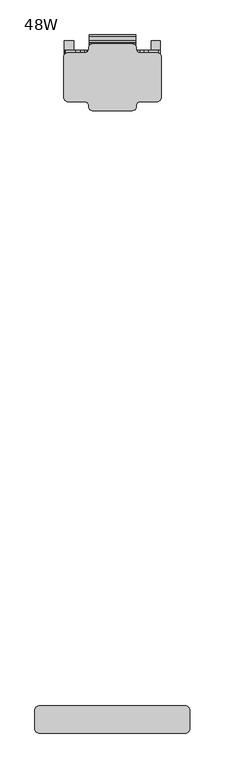
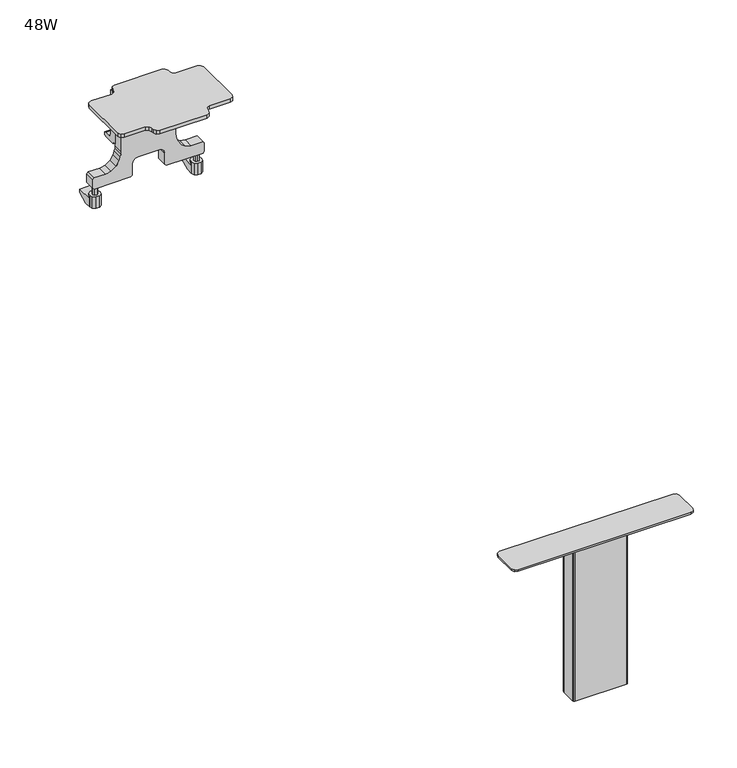
"""IFC4 building model written with IfcOpenShell, lengths in millimetres: furniture geometry, 48W."""

from ifc_helpers import new_model, si_unit, frame, origin, place, context, project, spatial, polyline, outline, extrude, faceted_brep, source, transform, mapped, element, save


def furniture_48w_51ee4bdc(model_context):
    return source(origin(), model_context, "Body", "SolidModel", [
        faceted_brep([(38.1, -26.5904509, 729.1102924), (38.1, -26.5904509, 794.2964298), (38.1, -38.1504511, 794.2964298), (38.1, -38.1504511, 721.5103203), (38.1, -33.3104509, 721.5103203), (38.1, -33.3104509, 718.1103098), (38.1, -15.8924007, 718.1103098), (38.1, -12.86045, 719.3588528), (38.1, -12.86045, 724.1103069), (38.1, -14.8604506, 724.1103069), (38.1, -21.5904495, 724.1103069), (38.1, -25.125985, 725.5748251), (-38.1, -26.5904509, 729.1102924), (-38.1, -25.125985, 725.5748251), (-38.1, -21.5904495, 724.1103069), (-38.1, -14.8604506, 724.1103069), (-38.1, -12.86045, 724.1103069), (-38.1, -12.86045, 719.3588528), (-38.1, -15.8924007, 718.1103098), (-38.1, -33.3104509, 718.1103098), (-38.1, -33.3104509, 721.5103203), (-38.1, -38.1504511, 721.5103203), (-38.1, -38.1504511, 794.2964298), (-38.1, -26.5904509, 794.2964298), (-13.0000002, -33.3104509, 718.1103098), (-13.0000002, -33.3104509, 721.2458742), (13.0000002, -33.3104509, 721.2458742), (13.0000002, -33.3104509, 718.1103098), (13.0000002, -32.3457341, 718.1103098), (-13.0000002, -32.3457341, 718.1103098), (-13.0000002, -15.8924007, 718.1103098), (13.0000002, -15.8924007, 718.1103098), (-13.0000002, -12.86045, 719.3588528), (13.0000002, -12.86045, 719.3588528), (13.0000002, -32.3457341, 721.2458742), (-13.0000002, -32.3457341, 721.2458742)], [[[0, 1, 2, 3, 4, 5, 6, 7, 8, 9, 10, 11]], [[12, 13, 14, 15, 16, 17, 18, 19, 20, 21, 22, 23]], [[1, 0, 12, 23]], [[2, 1, 23, 22]], [[3, 2, 22, 21]], [[4, 3, 21, 20]], [[5, 4, 20, 19, 24, 25, 26, 27]], [[6, 5, 27, 28, 29, 24, 19, 18, 30, 31]], [[7, 6, 31, 30, 18, 17, 32, 33]], [[8, 7, 33, 32, 17, 16]], [[9, 8, 16, 15]], [[10, 9, 15, 14]], [[11, 10, 14, 13]], [[0, 11, 13, 12]], [[34, 28, 27, 26]], [[29, 35, 25, 24]], [[35, 34, 26, 25]], [[28, 34, 35, 29]]]),
        extrude(outline(polyline([(792.2964066, -38.1), (718.1103098, -38.1), (714.6373386, -38.4038468), (711.269957, -39.3061491), (706.113295, -41.1830013), (699.2289042, -45.4293809), (694.5893618, -52.0552574), (692.9537058, -59.9768533), (692.9537058, -76.1000016), (690.9536825, -78.1000021), (678.4037218, -78.1000021), (676.4036985, -76.1000016), (676.4036985, -24.7699997), (678.4037218, -22.7699991), (695.0215302, -22.7699991), (699.0215767, -21.6982032), (701.949741, -18.7700003), (703.0215506, -14.7700003), (703.0215506, 14.7700003), (701.949741, 18.7700003), (699.0215767, 21.6982032), (695.0215302, 22.7699991), (678.4037218, 22.7699991), (676.4036985, 24.7699997), (676.4036985, 76.1000016), (678.4037218, 78.1000021), (690.9536825, 78.1000021), (692.9537058, 76.1000016), (692.9537058, 59.9768533), (694.5893618, 52.0552574), (699.2289042, 45.4293809), (706.113295, 41.1830013), (711.269957, 39.3061491), (714.6373386, 38.4038468), (718.1103098, 38.1), (792.2964066, 38.1), (794.2964298, 36.0999994), (794.2964298, -36.0999994), (792.2964066, -38.1)])), frame((0.0, -52.5904491, 0.0), z_axis=(0.0, 1.0, 0.0), x_axis=(0.0, 0.0, 1.0)), (0.0, 0.0, 1.0), 14.439998),
        extrude(outline(polyline([(-36.0999994, -1122.2913803), (36.0999994, -1122.2913803), (37.5142141, -1122.877173), (38.1, -1124.2914036), (38.1, -1145.6914055), (37.5142141, -1147.1055634), (36.0999994, -1147.6913561), (-36.0999994, -1147.6913561), (-37.5142141, -1147.1055634), (-38.1, -1145.6914055), (-38.1, -1124.2914036), (-37.5142141, -1122.877173), (-36.0999994, -1122.2913803)])), frame((0.0, 0.0, 569.7131178), z_axis=(0.0, 0.0, 1.0), x_axis=(1.0, 0.0, 0.0)), (0.0, 0.0, 1.0), 224.583312),
        extrude(outline(polyline([(-120.9999998, -1112.7663803), (120.9999998, -1112.7663803), (125.2426369, -1114.5237585), (126.999997, -1118.7663774), (126.999997, -1151.2163589), (125.2426369, -1155.4590506), (120.9999998, -1157.2163561), (-120.9999998, -1157.2163561), (-125.2426369, -1155.4590506), (-126.999997, -1151.2163589), (-126.999997, -1118.7663774), (-125.2426369, -1114.5237585), (-120.9999998, -1112.7663803)])), frame((0.0, 0.0, 796.9557878), z_axis=(0.0, 0.0, 1.0), x_axis=(1.0, 0.0, 0.0)), (0.0, 0.0, 1.0), 2.6616122),
        extrude(outline(polyline([(-45.800452, 659.0477812), (-22.3004511, 659.0477812), (-22.3004511, 654.047723), (-36.9401167, 647.0477869), (-45.800452, 647.0477869), (-45.800452, 659.0477812)])), frame((-78.4999959, 0.0, 0.0), z_axis=(1.0, 0.0, 0.0), x_axis=(0.0, 1.0, 0.0)), (0.0, 0.0, 1.0), 14.9999974),
        extrude(outline(polyline([(-42.7604486, 670.4037014), (-52.5904491, 676.4036985), (-38.1504511, 676.4036985), (-38.1504511, 670.4037014), (-42.7604486, 670.4037014)])), frame((-61.6499979, 0.0, 0.0), z_axis=(1.0, 0.0, 0.0), x_axis=(0.0, 1.0, 0.0)), (0.0, 0.0, 1.0), 12.2999987),
        extrude(outline(polyline([(-42.7604486, 670.4037014), (-52.5904491, 676.4036985), (-38.1504511, 676.4036985), (-38.1504511, 670.4037014), (-42.7604486, 670.4037014)])), frame((49.3499992, 0.0, 0.0), z_axis=(1.0, 0.0, 0.0), x_axis=(0.0, 1.0, 0.0)), (0.0, 0.0, 1.0), 12.2999987),
        extrude(outline(polyline([(-45.800452, 659.0477812), (-22.3004511, 659.0477812), (-22.3004511, 654.047723), (-36.9401167, 647.0477869), (-45.800452, 647.0477869), (-45.800452, 659.0477812)])), frame((63.4999985, 0.0, 0.0), z_axis=(1.0, 0.0, 0.0), x_axis=(0.0, 1.0, 0.0)), (0.0, 0.0, 1.0), 14.9999974),
        extrude(outline(polyline([(-69.173273, -42.7602725), (-67.5585766, -44.9424095), (-67.9598176, -47.6271762), (-70.1419547, -49.2418726), (-72.8267213, -48.8406316), (-74.4414178, -46.6584946), (-74.0401767, -43.9737279), (-71.8580397, -42.3590314), (-69.173273, -42.7602725)])), frame((0.0, 0.0, 664.0477667), z_axis=(0.0, 0.0, 1.0), x_axis=(1.0, 0.0, 0.0)), (0.0, 0.0, 1.0), 12.3559319),
        extrude(outline(polyline([(-68.7121455, -38.6675253), (-64.9641202, -41.3906251), (-63.5325019, -45.7966931), (-64.9641202, -50.2027611), (-68.7121455, -52.9258609), (-73.3449595, -52.9258609), (-77.0929848, -50.2027611), (-78.5246031, -45.7966931), (-77.0929848, -41.3906251), (-73.3449595, -38.6675253), (-68.7121455, -38.6675253)])), frame((0.0, 0.0, 647.0477869), z_axis=(0.0, 0.0, 1.0), x_axis=(1.0, 0.0, 0.0)), (0.0, 0.0, 1.0), 16.9999798),
        extrude(outline(polyline([(69.173273, -42.7602725), (71.8580397, -42.3590314), (74.0401767, -43.9737279), (74.4414178, -46.6584946), (72.8267213, -48.8406316), (70.1419547, -49.2418726), (67.9598176, -47.6271762), (67.5585766, -44.9424095), (69.173273, -42.7602725)])), frame((0.0, 0.0, 664.0477667), z_axis=(0.0, 0.0, 1.0), x_axis=(1.0, 0.0, 0.0)), (0.0, 0.0, 1.0), 12.3559319),
        extrude(outline(polyline([(68.7121455, -38.6675253), (73.3449595, -38.6675253), (77.0929848, -41.3906251), (78.5246031, -45.7966931), (77.0929848, -50.2027611), (73.3449595, -52.9258609), (68.7121455, -52.9258609), (64.9641202, -50.2027611), (63.5325019, -45.7966931), (64.9641202, -41.3906251), (68.7121455, -38.6675253)])), frame((0.0, 0.0, 647.0477869), z_axis=(0.0, 0.0, 1.0), x_axis=(1.0, 0.0, 0.0)), (0.0, 0.0, 1.0), 16.9999798),
        extrude(outline(polyline([(32.9399997, -137.0904512), (-32.9399997, -137.0904512), (-37.1826414, -135.3330912), (-38.9400014, -131.0904541), (-38.9400014, -128.0904464), (-40.6973614, -123.8478093), (-44.9399986, -122.0904493), (-73.999998, -122.0904493), (-78.2426442, -120.3330892), (-80.0000042, -116.0904521), (-80.0000042, -48.0904512), (-78.2426442, -43.8478096), (-73.999998, -42.0904496), (-44.9399986, -42.0904496), (-40.6973614, -40.3330895), (-38.9400014, -36.0904501), (-38.9400014, -33.0904493), (-37.1826414, -28.8478099), (-32.9399997, -27.0904499), (32.9399997, -27.0904499), (37.1826414, -28.8478099), (38.9400014, -33.0904493), (38.9400014, -36.0904501), (40.6973614, -40.3330895), (44.9399986, -42.0904496), (73.999998, -42.0904496), (78.2426442, -43.8478096), (80.0000042, -48.0904512), (80.0000042, -116.0904521), (78.2426442, -120.3330892), (73.999998, -122.0904493), (44.9399986, -122.0904493), (40.6973614, -123.8478093), (38.9400014, -128.0904464), (38.9400014, -131.0904541), (37.1826414, -135.3330912), (32.9399997, -137.0904512)])), frame((0.0, 0.0, 794.2964298), z_axis=(0.0, 0.0, 1.0), x_axis=(1.0, 0.0, 0.0)), (0.0, 0.0, 1.0), 5.3209702),
    ])


if __name__ == "__main__":
    model = new_model("IFC4")
    model_context = context("Model", 3, world=origin())
    ifc_project = project(units=[si_unit("LENGTHUNIT", "METRE", prefix="MILLI")], contexts=[model_context])
    site = spatial("IfcSite", under=ifc_project)
    building = spatial("IfcBuilding", under=site)
    placement = place(None, origin())
    furniture_48w_shape = furniture_48w_51ee4bdc(model_context)
    element("IfcFurniture", 1, ObjectType="48W", at=placement, inside=building, context=model_context, shape_type="MappedRepresentation", body=[
        mapped(furniture_48w_shape, transform((0.0, 0.0, 0.0), x_axis=(1.0, 0.0, 0.0), y_axis=(0.0, 1.0, 0.0), z_axis=(0.0, 0.0, 1.0))),
    ])
    save(model, "model.ifc")
